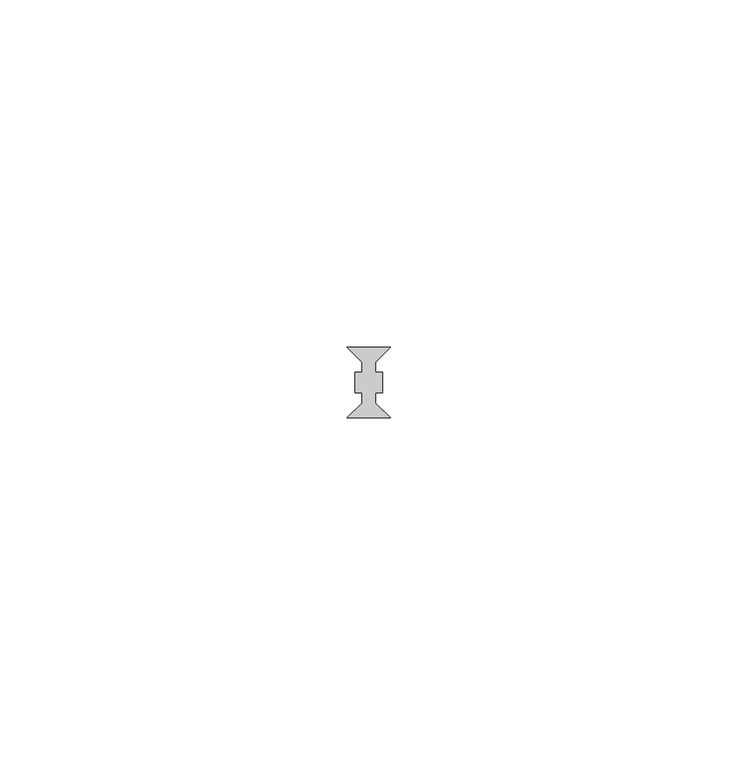
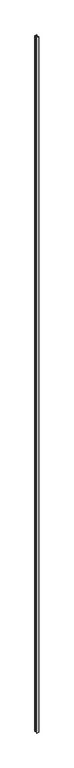
"""IFC4 building model written with IfcOpenShell, lengths in millimetres: member geometry."""

from ifc_helpers import new_model, si_unit, frame, origin, place, context, project, spatial, polyline, outline, extrude, source, transform, mapped, element, save


def member_b96b1327(model_context):
    return source(origin(), model_context, "Body", "SweptSolid", [
        extrude(outline(polyline([(3.15, 5.1), (1.0, 2.95), (1.0, 1.5), (2.0, 1.5), (2.0, -1.5), (1.0, -1.5), (1.0, -2.95), (3.15, -5.1), (-3.15, -5.1), (-1.0, -2.95), (-1.0, -1.5), (-2.0, -1.5), (-2.0, 0.2127369), (-2.0, 1.5), (-1.0, 1.5), (-1.0, 2.95), (-3.15, 5.1), (3.15, 5.1)])), frame((0.0, 0.0, -2358.0), z_axis=(0.0, 0.0, 1.0), x_axis=(1.0, 0.0, 0.0)), (0.0, 0.0, 1.0), 2358.0),
    ])


if __name__ == "__main__":
    model = new_model("IFC4")
    model_context = context("Model", 3, world=origin())
    ifc_project = project(units=[si_unit("LENGTHUNIT", "METRE", prefix="MILLI")], contexts=[model_context])
    site = spatial("IfcSite", under=ifc_project)
    building = spatial("IfcBuilding", under=site)
    placement = place(None, origin())
    member_shape = member_b96b1327(model_context)
    element("IfcMember", 1, at=placement, inside=building, context=model_context, shape_type="MappedRepresentation", body=[
        mapped(member_shape, transform((0.0, 0.0, 0.0), x_axis=(1.0, 0.0, 0.0), y_axis=(0.0, 1.0, 0.0), z_axis=(0.0, 0.0, 1.0))),
    ])
    save(model, "model.ifc")
